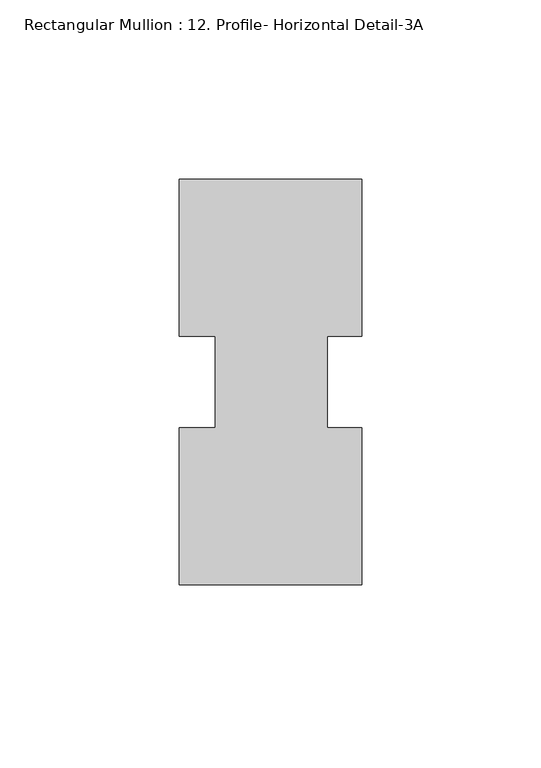
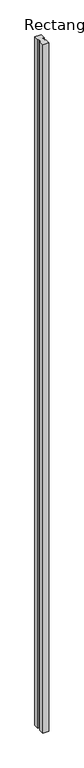
"""IFC4 building model written with IfcOpenShell, lengths in millimetres: member geometry, Rectangular Mullion : 12. Profile- Horizontal Detail-3A."""

from ifc_helpers import new_model, si_unit, frame, origin, place, context, project, spatial, polyline, outline, extrude, source, transform, mapped, element, save


def rectangular_mullion_12_profile_horizontal_detail_3a_1ef539fe(model_context):
    return source(origin(), model_context, "Body", "SweptSolid", [
        extrude(outline(polyline([(26.4748608, -56.5363706), (-24.3251392, -56.5363706), (-24.3251392, -12.7510367), (-14.3556447, -12.7510367), (-14.3556447, 12.7366616), (-24.3251392, 12.7366616), (-24.3251392, 56.5444294), (26.4939108, 56.5444294), (26.4939108, 12.7430968), (16.9498608, 12.7430968), (16.9498608, -12.7510367), (26.4748608, -12.7510367), (26.4748608, -56.5363706)])), frame((0.0, 0.0, -6032.5), z_axis=(0.0, 0.0, 1.0), x_axis=(1.0, 0.0, 0.0)), (0.0, 0.0, 1.0), 6032.5),
    ])


if __name__ == "__main__":
    model = new_model("IFC4")
    model_context = context("Model", 3, world=origin())
    ifc_project = project(units=[si_unit("LENGTHUNIT", "METRE", prefix="MILLI")], contexts=[model_context])
    site = spatial("IfcSite", under=ifc_project)
    building = spatial("IfcBuilding", under=site)
    placement = place(None, origin())
    rectangular_mullion_12_profile_horizontal_detail_3a_shape = rectangular_mullion_12_profile_horizontal_detail_3a_1ef539fe(model_context)
    element("IfcMember", 1, ObjectType="Rectangular Mullion : 12. Profile- Horizontal Detail-3A", at=placement, inside=building, context=model_context, shape_type="MappedRepresentation", body=[
        mapped(rectangular_mullion_12_profile_horizontal_detail_3a_shape, transform((0.0, 0.0, 0.0), x_axis=(1.0, 0.0, 0.0), y_axis=(0.0, 1.0, 0.0), z_axis=(0.0, 0.0, 1.0))),
    ])
    save(model, "model.ifc")
